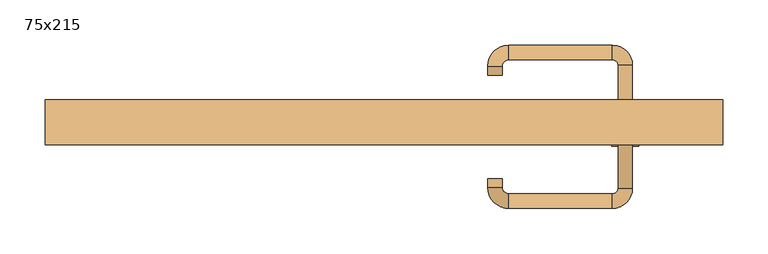
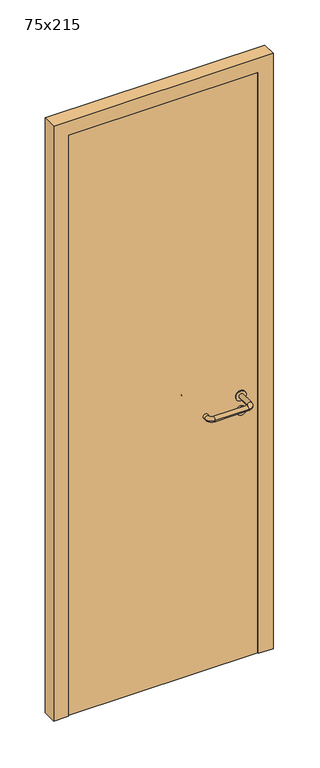
"""IFC4 building model written with IfcOpenShell, lengths in millimetres: door geometry, 75x215."""

from ifc_helpers import new_model, si_unit, point, frame, frame_2d, origin, origin_with_axes, place, context, project, spatial, polyline, circle_curve, ellipse_curve, trimmed, segment, composite_curve, outline, extrude, source, transform, mapped, element, save
from ifc_brep_helpers import plane_surface, cylinder_surface, revolved_surface, advanced_brep


def door_75x215_0f5abbdb(model_context):
    return source(origin(), model_context, "Body", "SolidModel", [
        extrude(outline(composite_curve([segment(trimmed(circle_curve(frame_2d((897.3605726, 267.0)), 15.0), [point((897.3605726, 282.0))], [point((897.3605726, 252.0))], False, "CARTESIAN"), True, "CONTINUOUS"), segment(trimmed(circle_curve(frame_2d((897.3605726, 267.0)), 15.0), [point((897.3605726, 252.0))], [point((897.3605726, 282.0))], False, "CARTESIAN"), True, "CONTINUOUS")], self_intersect=False), holes=[composite_curve([segment(trimmed(circle_curve(frame_2d((892.5833211, 266.9398032)), 2.0), [point((892.5833211, 268.9398032))], [point((892.5833211, 264.9398032))], True, "CARTESIAN"), True, "CONTINUOUS"), segment(polyline([(892.5833211, 264.9398032), (902.5833211, 264.9398032)]), True, "CONTINUOUS"), segment(trimmed(circle_curve(frame_2d((902.5833211, 266.9398032)), 2.0), [point((902.5833211, 264.9398032))], [point((902.5833211, 268.9398032))], True, "CARTESIAN"), True, "CONTINUOUS"), segment(polyline([(902.5833211, 268.9398032), (892.5833211, 268.9398032)]), True, "CONTINUOUS")], self_intersect=False)]), frame((0.0, -32.5, 0.0), z_axis=(0.0, 1.0, 0.0), x_axis=(0.0, 0.0, 1.0)), (0.0, 0.0, 1.0), 6.35),
        extrude(outline(composite_curve([segment(trimmed(circle_curve(frame_2d((950.0, 267.0)), 17.526), [point((950.0, 284.526))], [point((950.0, 249.474))], False, "CARTESIAN"), True, "CONTINUOUS"), segment(trimmed(circle_curve(frame_2d((950.0, 267.0)), 17.526), [point((950.0, 249.474))], [point((950.0, 284.526))], False, "CARTESIAN"), True, "CONTINUOUS")], self_intersect=False)), frame((0.0, -32.5, 0.0), z_axis=(0.0, 1.0, 0.0), x_axis=(0.0, 0.0, 1.0)), (0.0, 0.0, 1.0), 3.175),
        advanced_brep(
        [(275.0, -32.5, 950.0), (259.0, -32.5, 950.0), (275.0, 20.5, 950.0), (259.0, 20.5, 950.0), (252.8578644, 26.6421356, 950.0), (252.8578644, 42.6421356, 950.0), (137.8578644, 42.6421356, 950.0), (137.8578644, 26.6421356, 950.0), (131.008622, 19.7928932, 950.0), (115.008622, 19.7928932, 950.0), (115.008622, 9.7928932, 950.0), (131.008622, 9.7928932, 950.0)],
        [
            (0, 1, circle_curve(frame((267.0, -32.5, 950.0), z_axis=(0.0, -1.0, 0.0), x_axis=(-1.0, 0.0, 0.0)), 8.0)),
            (1, 0, circle_curve(frame((267.0, -32.5, 950.0), z_axis=(0.0, -1.0, 0.0), x_axis=(-1.0, 0.0, 0.0)), 8.0)),
            (0, 2),
            (2, 3, circle_curve(frame((267.0, 20.5, 950.0), z_axis=(0.0, -1.0, 0.0), x_axis=(-1.0, 0.0, 0.0)), 8.0)),
            (3, 1),
            (3, 2, circle_curve(frame((267.0, 20.5, 950.0), z_axis=(0.0, -1.0, 0.0), x_axis=(-1.0, 0.0, 0.0)), 8.0)),
            (4, 3, circle_curve(frame((252.8578644, 20.5, 950.0), z_axis=(0.0, 0.0, -1.0), x_axis=(1.0, 0.0, 0.0)), 6.1421356)),
            (2, 5, circle_curve(frame((252.8578644, 20.5, 950.0), z_axis=(0.0, 0.0, 1.0), x_axis=(1.0, 0.0, 0.0)), 22.1421356)),
            (5, 4, circle_curve(frame((252.8578644, 34.6421356, 950.0), z_axis=(1.0, 0.0, 0.0), x_axis=(0.0, -1.0, 0.0)), 8.0)),
            (4, 5, circle_curve(frame((252.8578644, 34.6421356, 950.0), z_axis=(1.0, 0.0, 0.0), x_axis=(0.0, -1.0, 0.0)), 8.0)),
            (5, 6),
            (6, 7, circle_curve(frame((137.8578644, 34.6421356, 950.0), z_axis=(1.0, 0.0, 0.0), x_axis=(0.0, -1.0, 0.0)), 8.0)),
            (7, 4),
            (7, 6, circle_curve(frame((137.8578644, 34.6421356, 950.0), z_axis=(1.0, 0.0, 0.0), x_axis=(0.0, -1.0, 0.0)), 8.0)),
            (8, 7, circle_curve(frame((137.8578644, 19.7928932, 950.0), z_axis=(0.0, 0.0, -1.0), x_axis=(0.0, 1.0, 0.0)), 6.8492424)),
            (6, 9, circle_curve(frame((137.8578644, 19.7928932, 950.0), z_axis=(0.0, 0.0, 1.0), x_axis=(0.0, 1.0, 0.0)), 22.8492424)),
            (9, 8, circle_curve(frame((123.008622, 19.7928932, 950.0), z_axis=(0.0, 1.0, 0.0), x_axis=(1.0, 0.0, 0.0)), 8.0)),
            (8, 9, circle_curve(frame((123.008622, 19.7928932, 950.0), z_axis=(0.0, 1.0, 0.0), x_axis=(1.0, 0.0, 0.0)), 8.0)),
            (10, 11, circle_curve(frame((123.008622, 9.7928932, 950.0), z_axis=(0.0, -1.0, 0.0), x_axis=(1.0, 0.0, 0.0)), 8.0)),
            (11, 10, circle_curve(frame((123.008622, 9.7928932, 950.0), z_axis=(0.0, -1.0, 0.0), x_axis=(1.0, 0.0, 0.0)), 8.0)),
            (9, 10),
            (11, 8),
        ],
        [
            plane_surface(frame((267.0, -32.5, 170.0), z_axis=(0.0, -1.0, 0.0), x_axis=(0.0, 0.0, 1.0))),
            cylinder_surface(frame((267.0, -32.5, 950.0), z_axis=(0.0, -1.0, 0.0), x_axis=(-1.0, 0.0, 0.0)), 8.0),
            revolved_surface(trimmed(ellipse_curve(frame((267.0, 20.5, 950.0), z_axis=(0.0, -1.0, 0.0), x_axis=(-1.0, 0.0, 0.0)), 8.0, 8.0), [point((275.0, 20.5, 950.0))], [point((259.0, 20.5, 950.0))], True, "CARTESIAN"), (252.8578644, 20.5, 170.0), (0.0, 0.0, 1.0)),
            revolved_surface(trimmed(ellipse_curve(frame((267.0, 20.5, 950.0), z_axis=(0.0, -1.0, 0.0), x_axis=(-1.0, 0.0, 0.0)), 8.0, 8.0), [point((259.0, 20.5, 950.0))], [point((275.0, 20.5, 950.0))], True, "CARTESIAN"), (252.8578644, 20.5, 170.0), (0.0, 0.0, 1.0)),
            cylinder_surface(frame((252.8578644, 34.6421356, 950.0), z_axis=(1.0, 0.0, 0.0), x_axis=(0.0, -1.0, 0.0)), 8.0),
            revolved_surface(trimmed(ellipse_curve(frame((137.8578644, 34.6421356, 950.0), z_axis=(1.0, 0.0, 0.0), x_axis=(0.0, -1.0, 0.0)), 8.0, 8.0), [point((137.8578644, 42.6421356, 950.0))], [point((137.8578644, 26.6421356, 950.0))], True, "CARTESIAN"), (137.8578644, 19.7928932, 170.0), (0.0, 0.0, 1.0)),
            revolved_surface(trimmed(ellipse_curve(frame((137.8578644, 34.6421356, 950.0), z_axis=(1.0, 0.0, 0.0), x_axis=(0.0, -1.0, 0.0)), 8.0, 8.0), [point((137.8578644, 26.6421356, 950.0))], [point((137.8578644, 42.6421356, 950.0))], True, "CARTESIAN"), (137.8578644, 19.7928932, 170.0), (0.0, 0.0, 1.0)),
            plane_surface(frame((123.008622, 9.7928932, 170.0), z_axis=(0.0, -1.0, 0.0), x_axis=(0.0, 0.0, 1.0))),
            cylinder_surface(frame((123.008622, 19.7928932, 950.0), z_axis=(0.0, 1.0, 0.0), x_axis=(1.0, 0.0, 0.0)), 8.0),
        ],
        [
            (0, [[1, 2]]),
            (1, [[-1, 3, 4, 5]]),
            (1, [[-2, -5, 6, -3]]),
            (2, [[7, -4, 8, 9]]),
            (3, [[-8, -6, -7, 10]]),
            (4, [[-9, 11, 12, 13]]),
            (4, [[-10, -13, 14, -11]]),
            (5, [[15, -12, 16, 17]]),
            (6, [[-16, -14, -15, 18]]),
            (7, [[19, 20]]),
            (8, [[-17, 21, -20, 22]]),
            (8, [[-18, -22, -19, -21]]),
        ],
    ),
        extrude(outline(composite_curve([segment(trimmed(circle_curve(frame_2d((0.0, 15.0)), 15.0), [point((0.0, 30.0))], [point((0.0, 0.0))], False, "CARTESIAN"), True, "CONTINUOUS"), segment(trimmed(circle_curve(frame_2d((0.0, 15.0)), 15.0), [point((0.0, 0.0))], [point((0.0, 30.0))], False, "CARTESIAN"), True, "CONTINUOUS")], self_intersect=False), holes=[composite_curve([segment(trimmed(circle_curve(frame_2d((-4.7772515, 14.9398032)), 2.0), [point((-4.7772515, 16.9398032))], [point((-4.7772515, 12.9398032))], True, "CARTESIAN"), True, "CONTINUOUS"), segment(polyline([(-4.7772515, 12.9398032), (5.2227485, 12.9398032)]), True, "CONTINUOUS"), segment(trimmed(circle_curve(frame_2d((5.2227485, 14.9398032)), 2.0), [point((5.2227485, 12.9398032))], [point((5.2227485, 16.9398032))], True, "CARTESIAN"), True, "CONTINUOUS"), segment(polyline([(5.2227485, 16.9398032), (-4.7772515, 16.9398032)]), True, "CONTINUOUS")], self_intersect=False)]), frame((252.0, -68.85, 897.3605726), z_axis=(-1.8870575173328306e-12, 1.0, 0.0), x_axis=(0.0, 0.0, 1.0)), (0.0, 0.0, 1.0), 6.35),
        extrude(outline(composite_curve([segment(trimmed(circle_curve(frame_2d((0.0, 17.526)), 17.526), [point((0.0, 35.052))], [point((0.0, 0.0))], False, "CARTESIAN"), True, "CONTINUOUS"), segment(trimmed(circle_curve(frame_2d((0.0, 17.526)), 17.526), [point((0.0, 0.0))], [point((0.0, 35.052))], False, "CARTESIAN"), True, "CONTINUOUS")], self_intersect=False)), frame((249.474, -65.675, 950.0), z_axis=(-1.8870575173328306e-12, 1.0, 0.0), x_axis=(0.0, 0.0, 1.0)), (0.0, 0.0, 1.0), 3.175),
        advanced_brep(
        [(275.0, -62.5, 950.0), (259.0, -62.5, 950.0), (259.0, -115.5, 950.0), (275.0, -115.5, 950.0), (252.8578644, -121.6421356, 950.0), (252.8578644, -137.6421356, 950.0), (137.8578644, -121.6421356, 950.0), (137.8578644, -137.6421356, 950.0), (131.008622, -114.7928932, 950.0), (115.008622, -114.7928932, 950.0), (115.008622, -104.7928932, 950.0), (131.008622, -104.7928932, 950.0)],
        [
            (0, 1, circle_curve(frame((267.0, -62.5, 950.0), z_axis=(-1.888672253512351e-12, 1.0, 0.0), x_axis=(-1.0, -1.888672253512351e-12, 0.0)), 8.0)),
            (1, 0, circle_curve(frame((267.0, -62.5, 950.0), z_axis=(-1.888672253512351e-12, 1.0, 0.0), x_axis=(-1.0, -1.888672253512351e-12, 0.0)), 8.0)),
            (1, 2),
            (2, 3, circle_curve(frame((267.0, -115.5, 950.0), z_axis=(-1.888672253512351e-12, 1.0, 0.0), x_axis=(-1.0, -1.888672253512351e-12, 0.0)), 8.0)),
            (3, 0),
            (3, 2, circle_curve(frame((267.0, -115.5, 950.0), z_axis=(-1.888672253512351e-12, 1.0, 0.0), x_axis=(-1.0, -1.888672253512351e-12, 0.0)), 8.0)),
            (4, 5, circle_curve(frame((252.8578644, -129.6421356, 950.0), z_axis=(1.0, 1.913702061528922e-12, 0.0), x_axis=(-1.913702061528922e-12, 1.0, 0.0)), 8.0)),
            (5, 3, circle_curve(frame((252.8578644, -115.5, 950.0), z_axis=(0.0, 0.0, 1.0), x_axis=(1.0, 1.880717803715015e-12, 0.0)), 22.1421356)),
            (2, 4, circle_curve(frame((252.8578644, -115.5, 950.0), z_axis=(0.0, 0.0, -1.0), x_axis=(1.0, 1.880717803715015e-12, 0.0)), 6.1421356)),
            (5, 4, circle_curve(frame((252.8578644, -129.6421356, 950.0), z_axis=(1.0, 1.913702061528922e-12, 0.0), x_axis=(-1.913702061528922e-12, 1.0, 0.0)), 8.0)),
            (4, 6),
            (6, 7, circle_curve(frame((137.8578644, -129.6421356, 950.0), z_axis=(1.0, 1.913719828541269e-12, 0.0), x_axis=(-1.913719828541269e-12, 1.0, 0.0)), 8.0)),
            (7, 5),
            (7, 6, circle_curve(frame((137.8578644, -129.6421356, 950.0), z_axis=(1.0, 1.913719828541269e-12, 0.0), x_axis=(-1.913719828541269e-12, 1.0, 0.0)), 8.0)),
            (8, 9, circle_curve(frame((123.008622, -114.7928932, 950.0), z_axis=(1.890226565746826e-12, -1.0, 0.0), x_axis=(1.0, 1.890226565746826e-12, 0.0)), 8.0)),
            (9, 7, circle_curve(frame((137.8578644, -114.7928932, 950.0), z_axis=(0.0, 0.0, 1.0), x_axis=(1.9120873253494017e-12, -1.0, 0.0)), 22.8492424)),
            (6, 8, circle_curve(frame((137.8578644, -114.7928932, 950.0), z_axis=(0.0, 0.0, -1.0), x_axis=(1.9120873253494017e-12, -1.0, 0.0)), 6.8492424)),
            (9, 8, circle_curve(frame((123.008622, -114.7928932, 950.0), z_axis=(1.890670654956676e-12, -1.0, 0.0), x_axis=(1.0, 1.890670654956676e-12, 0.0)), 8.0)),
            (10, 11, circle_curve(frame((123.008622, -104.7928932, 950.0), z_axis=(-1.8903642334018795e-12, 1.0, 0.0), x_axis=(1.0, 1.8903642334018795e-12, 0.0)), 8.0)),
            (11, 10, circle_curve(frame((123.008622, -104.7928932, 950.0), z_axis=(-1.8903642334018795e-12, 1.0, 0.0), x_axis=(1.0, 1.8903642334018795e-12, 0.0)), 8.0)),
            (8, 11),
            (10, 9),
        ],
        [
            plane_surface(frame((267.0, -62.5, 170.0), z_axis=(-1.8870575173328306e-12, 1.0, 0.0), x_axis=(0.0, 0.0, 1.0))),
            cylinder_surface(frame((267.0, -62.5, 950.0), z_axis=(-1.888672253512351e-12, 1.0, 0.0), x_axis=(-1.0, -1.888672253512351e-12, 0.0)), 8.0),
            revolved_surface(trimmed(ellipse_curve(frame((267.0, -115.5, 950.0), z_axis=(1.8823325398945356e-12, -1.0, 0.0), x_axis=(-1.0, -1.8823325398945356e-12, 0.0)), 8.0, 8.0), [point((275.0, -115.5, 950.0))], [point((259.0, -115.5, 950.0))], True, "CARTESIAN"), (252.8578644, -115.5, 170.0), (0.0, 0.0, 1.0)),
            revolved_surface(trimmed(ellipse_curve(frame((267.0, -115.5, 950.0), z_axis=(1.8823325398945356e-12, -1.0, 0.0), x_axis=(-1.0, -1.8823325398945356e-12, 0.0)), 8.0, 8.0), [point((259.0, -115.5, 950.0))], [point((275.0, -115.5, 950.0))], True, "CARTESIAN"), (252.8578644, -115.5, 170.0), (0.0, 0.0, 1.0)),
            cylinder_surface(frame((252.8578644, -129.6421356, 950.0), z_axis=(1.0, 1.913719828541269e-12, 0.0), x_axis=(-1.913719828541269e-12, 1.0, 0.0)), 8.0),
            revolved_surface(trimmed(ellipse_curve(frame((137.8578644, -129.6421356, 950.0), z_axis=(-1.0, -1.913702061528922e-12, 0.0), x_axis=(-1.913702061528922e-12, 1.0, 0.0)), 8.0, 8.0), [point((137.8578644, -137.6421356, 950.0))], [point((137.8578644, -121.6421356, 950.0))], True, "CARTESIAN"), (137.8578644, -114.7928932, 170.0), (0.0, 0.0, 1.0)),
            revolved_surface(trimmed(ellipse_curve(frame((137.8578644, -129.6421356, 950.0), z_axis=(-1.0, -1.913702061528922e-12, 0.0), x_axis=(-1.913702061528922e-12, 1.0, 0.0)), 8.0, 8.0), [point((137.8578644, -121.6421356, 950.0))], [point((137.8578644, -137.6421356, 950.0))], True, "CARTESIAN"), (137.8578644, -114.7928932, 170.0), (0.0, 0.0, 1.0)),
            plane_surface(frame((123.008622, -104.7928932, 170.0), z_axis=(-1.8887494972223595e-12, 1.0, 0.0), x_axis=(0.0, 0.0, 1.0))),
            cylinder_surface(frame((123.008622, -114.7928932, 950.0), z_axis=(1.8903642334018795e-12, -1.0, 0.0), x_axis=(1.0, 1.8903642334018795e-12, 0.0)), 8.0),
        ],
        [
            (0, [[1, 2]]),
            (1, [[3, 4, 5, -2]]),
            (1, [[-5, 6, -3, -1]]),
            (2, [[7, 8, -4, 9]]),
            (3, [[10, -9, -6, -8]]),
            (4, [[11, 12, 13, -7]]),
            (4, [[-13, 14, -11, -10]]),
            (5, [[15, 16, -12, 17]]),
            (6, [[18, -17, -14, -16]]),
            (7, [[19, 20]]),
            (8, [[21, -19, 22, -15]]),
            (8, [[-22, -20, -21, -18]]),
        ],
    ),
        extrude(outline(polyline([(2100.0, 325.0), (0.0, 325.0), (0.0, 375.0), (2150.0, 375.0), (2150.0, -375.0), (0.0, -375.0), (0.0, -325.0), (2100.0, -325.0), (2100.0, 325.0)])), frame((0.0, -67.5, 0.0), z_axis=(0.0, 1.0, 0.0), x_axis=(0.0, 0.0, 1.0)), (0.0, 0.0, 1.0), 50.0),
        extrude(outline(polyline([(-325.0, -62.5), (-325.0, -32.5), (325.0, -32.5), (325.0, -62.5), (-325.0, -62.5)])), origin_with_axes(), (0.0, 0.0, 1.0), 2100.0),
    ])


if __name__ == "__main__":
    model = new_model("IFC4")
    model_context = context("Model", 3, world=origin())
    ifc_project = project(units=[si_unit("LENGTHUNIT", "METRE", prefix="MILLI")], contexts=[model_context])
    site = spatial("IfcSite", under=ifc_project)
    building = spatial("IfcBuilding", under=site)
    placement = place(None, origin())
    door_75x215_shape = door_75x215_0f5abbdb(model_context)
    element("IfcDoor", 1, ObjectType="75x215", at=placement, inside=building, context=model_context, shape_type="MappedRepresentation", body=[
        mapped(door_75x215_shape, transform((0.0, 0.0, 0.0), x_axis=(1.0, 0.0, 0.0), y_axis=(0.0, 1.0, 0.0), z_axis=(0.0, 0.0, 1.0))),
    ])
    save(model, "model.ifc")
